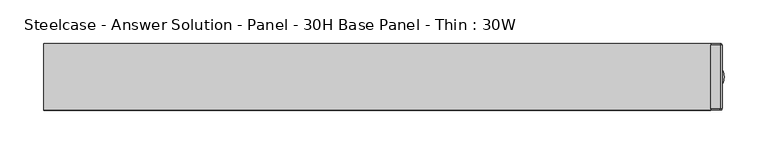
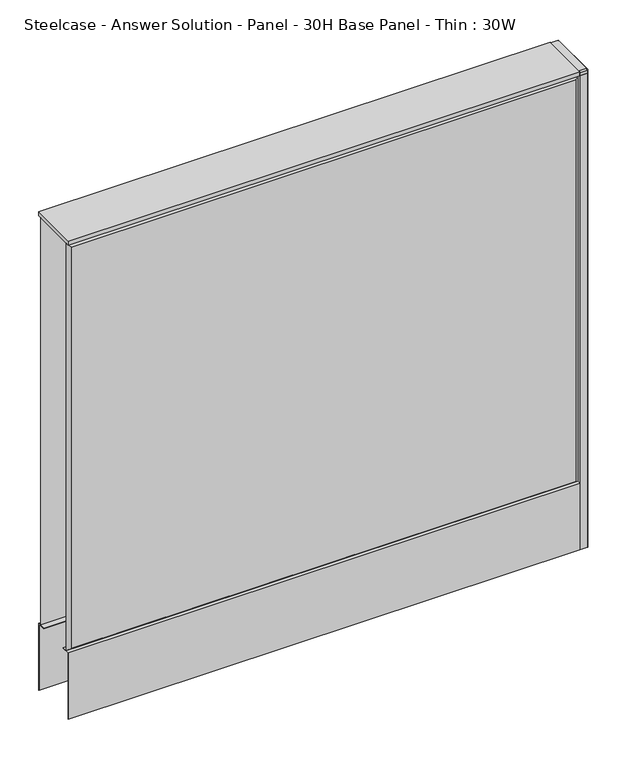
"""IFC4 building model written with IfcOpenShell, lengths in millimetres: furniture geometry, Steelcase - Answer Solution - Panel - 30H Base Panel - Thin : 30W."""

import ifcopenshell
import ifcopenshell.guid

model = None  # the IFC model being written
_history = None  # IfcOwnerHistory: only IFC2X3 demands one
_inside = {}  # id of a spatial element -> (the spatial element, [elements in it])
_under = {}  # id of a project, library or spatial element -> (it, [spatial elements below it])
_declared = {}  # id of a project -> (the project, [libraries it declares])
_typed = {}  # id of a type object -> (the type object, [elements of that type])
_made_of = {}  # id of a material, layer set ... -> (it, [elements and type objects made of it])


def new_model(schema):
    """Start an empty IFC model of exactly this schema.

    Asked for "IFC4X3", IfcOpenShell would pick the latest addendum, in which some entities
    have other attributes; the version numbers below select the first issue.
    IFC2X3 requires an IfcOwnerHistory on every rooted entity: one is made here for all.
    """
    global model, _history
    if schema == "IFC4X3":
        model = ifcopenshell.file(schema_version=(4, 3, 0, 0))
    else:
        model = ifcopenshell.file(schema=schema)
    _inside.clear()
    _under.clear()
    _declared.clear()
    _typed.clear()
    _made_of.clear()
    _history = None
    if model.schema == "IFC2X3":
        org = make("IfcOrganization", Name="unknown")
        user = make(
            "IfcPersonAndOrganization",
            ThePerson=make("IfcPerson", FamilyName="unknown"),
            TheOrganization=org,
        )
        app = make(
            "IfcApplication",
            ApplicationDeveloper=org,
            Version="unknown",
            ApplicationFullName="unknown",
            ApplicationIdentifier="unknown",
        )
        _history = make(
            "IfcOwnerHistory",
            OwningUser=user,
            OwningApplication=app,
            ChangeAction="ADDED",
            CreationDate=0,
        )
    return model


def make(cls, **values):
    """One entity of the class cls with the attributes given. An attribute that is None is left unset."""
    return model.create_entity(
        cls, **{name: value for name, value in values.items() if value is not None}
    )


def rooted(cls, **values):
    """An entity with a GlobalId (a new one), such as an element, a storey or a relation."""
    return make(cls, GlobalId=ifcopenshell.guid.new(), OwnerHistory=_history, **values)


def si_unit(unit_type, name, prefix=None):
    """IfcSIUnit, for example si_unit("LENGTHUNIT", "METRE", prefix="MILLI")."""
    return make("IfcSIUnit", UnitType=unit_type, Prefix=prefix, Name=name)


def assignment(units):
    """IfcUnitAssignment: the units of a project."""
    return None if units is None else make("IfcUnitAssignment", Units=units)


def point(xyz):
    """IfcCartesianPoint."""
    return None if xyz is None else make("IfcCartesianPoint", Coordinates=xyz)


def direction(xyz):
    """IfcDirection."""
    return None if xyz is None else make("IfcDirection", DirectionRatios=xyz)


def frame(location, z_axis=None, x_axis=None):
    """IfcAxis2Placement3D, a coordinate frame: its origin and axes. An axis left out is left unset."""
    return make(
        "IfcAxis2Placement3D",
        Location=point(location),
        Axis=direction(z_axis),
        RefDirection=direction(x_axis),
    )


def frame_2d(location, x_axis=None):
    """IfcAxis2Placement2D, a coordinate frame in the plane: its origin and x axis."""
    return make(
        "IfcAxis2Placement2D", Location=point(location), RefDirection=direction(x_axis)
    )


def origin():
    """The frame at (0, 0, 0) with its axes left unset."""
    return frame((0.0, 0.0, 0.0))


def place(relative_to, where):
    """IfcLocalPlacement: puts the frame where relative to a parent placement (None: the world)."""
    return make(
        "IfcLocalPlacement", PlacementRelTo=relative_to, RelativePlacement=where
    )


def context(
    kind, dimensions, precision=None, world=None, true_north=None, identifier=None
):
    """IfcGeometricRepresentationContext, for example the 3D "Model" context."""
    return make(
        "IfcGeometricRepresentationContext",
        ContextIdentifier=identifier,
        ContextType=kind,
        CoordinateSpaceDimension=dimensions,
        Precision=precision,
        WorldCoordinateSystem=world,
        TrueNorth=true_north,
    )


def project(units=None, contexts=None):
    """IfcProject with its units and contexts."""
    return rooted(
        "IfcProject",
        Name="project",
        RepresentationContexts=contexts,
        UnitsInContext=assignment(units),
    )


def spatial(cls, under=None, at=None, **own):
    """A site, building, storey or space (cls), placed at a placement, below another one or the project."""
    s = rooted(cls, ObjectPlacement=at, **own)
    if under is not None:
        _under.setdefault(under.id(), (under, []))[1].append(s)
    return s


def polyline(points):
    """IfcPolyline through the points."""
    return make("IfcPolyline", Points=[point(p) for p in points])


def circle_curve(where, radius):
    """IfcCircle in the frame where."""
    return make("IfcCircle", Position=where, Radius=radius)


def trimmed(basis, trim1, trim2, sense, master):
    """IfcTrimmedCurve: the piece of a basis curve between two trims."""
    return make(
        "IfcTrimmedCurve",
        BasisCurve=basis,
        Trim1=trim1,
        Trim2=trim2,
        SenseAgreement=sense,
        MasterRepresentation=master,
    )


def segment(curve, same_sense, transition):
    """IfcCompositeCurveSegment."""
    return make(
        "IfcCompositeCurveSegment",
        Transition=transition,
        SameSense=same_sense,
        ParentCurve=curve,
    )


def composite_curve(segments, self_intersect=None):
    """IfcCompositeCurve: segments joined end to end."""
    return make("IfcCompositeCurve", Segments=segments, SelfIntersect=self_intersect)


def outline(outer, holes=None, kind="AREA"):
    """IfcArbitraryClosedProfileDef: a profile drawn as a closed curve; with holes, ...WithVoids."""
    if holes is None:
        return make("IfcArbitraryClosedProfileDef", ProfileType=kind, OuterCurve=outer)
    return make(
        "IfcArbitraryProfileDefWithVoids",
        ProfileType=kind,
        OuterCurve=outer,
        InnerCurves=holes,
    )


def extrude(swept, where, along, depth):
    """IfcExtrudedAreaSolid: the profile swept, set in the frame where, extruded along a direction by depth."""
    return make(
        "IfcExtrudedAreaSolid",
        SweptArea=swept,
        Position=where,
        ExtrudedDirection=direction(along),
        Depth=depth,
    )


def faces_of(points, faces, orient=None, outer=None):
    """IfcFace entities. A face is a list of loops; a loop is a list of indices into points, from 0.

    orient and outer hold one flag for each loop. By default every Orientation is true, the
    first loop of a face is its IfcFaceOuterBound and the others are IfcFaceBound.
    """
    made = []
    for i, loops in enumerate(faces):
        bounds = []
        for j, loop in enumerate(loops):
            is_outer = j == 0 if outer is None else outer[i][j]
            bounds.append(
                make(
                    "IfcFaceOuterBound" if is_outer else "IfcFaceBound",
                    Bound=make("IfcPolyLoop", Polygon=[points[k] for k in loop]),
                    Orientation=True if orient is None else orient[i][j],
                )
            )
        made.append(make("IfcFace", Bounds=bounds))
    return made


def faceted_brep(points, faces, orient=None, outer=None, voids=None):
    """IfcFacetedBrep: a solid bounded by flat faces; with voids (closed shells), ...WithVoids."""
    shared = [point(p) for p in points]
    hull = make("IfcClosedShell", CfsFaces=faces_of(shared, faces, orient, outer))
    if voids is None:
        return make("IfcFacetedBrep", Outer=hull)
    return make(
        "IfcFacetedBrepWithVoids",
        Outer=hull,
        Voids=[
            make(cls, CfsFaces=faces_of(shared, fs, o, b)) for cls, fs, o, b in voids
        ],
    )


def shape(context_of_items, identifier, shape_type, items):
    """IfcShapeRepresentation: the items that make up one representation, for example the "Body"."""
    return make(
        "IfcShapeRepresentation",
        ContextOfItems=context_of_items,
        RepresentationIdentifier=identifier,
        RepresentationType=shape_type,
        Items=items,
    )


def source(mapping_origin, context_of_items, identifier, shape_type, items):
    """IfcRepresentationMap: a shape defined once, which mapped items show again and again."""
    return make(
        "IfcRepresentationMap",
        MappingOrigin=mapping_origin,
        MappedRepresentation=shape(context_of_items, identifier, shape_type, items),
    )


def transform(
    local_origin,
    x_axis=None,
    y_axis=None,
    z_axis=None,
    scale=None,
    scale2=None,
    scale3=None,
    uniform=True,
):
    """IfcCartesianTransformationOperator3D, or its non-uniform kind. x_axis, y_axis, z_axis: its Axis1, 2, 3."""
    if uniform:
        return make(
            "IfcCartesianTransformationOperator3D",
            Axis1=direction(x_axis),
            Axis2=direction(y_axis),
            LocalOrigin=point(local_origin),
            Scale=scale,
            Axis3=direction(z_axis),
        )
    return make(
        "IfcCartesianTransformationOperator3DnonUniform",
        Axis1=direction(x_axis),
        Axis2=direction(y_axis),
        LocalOrigin=point(local_origin),
        Scale=scale,
        Axis3=direction(z_axis),
        Scale2=scale2,
        Scale3=scale3,
    )


def mapped(mapping_source, mapping_target):
    """IfcMappedItem: shows the shape of a source again, moved by a transform."""
    return make(
        "IfcMappedItem", MappingSource=mapping_source, MappingTarget=mapping_target
    )


def made_of(thing, what):
    """Note that an element or type object is made of a material, layer set ...; save() writes the relation."""
    if what is not None:
        _made_of.setdefault(what.id(), (what, []))[1].append(thing)
    return thing


def element(
    cls,
    number,
    at=None,
    inside=None,
    cuts=None,
    type_object=None,
    material=None,
    context=None,
    identifier="Body",
    shape_type=None,
    held_by="IfcProductDefinitionShape",
    body=None,
    shapes=None,
    **own,
):
    """One element of the class cls, such as IfcWall. Its Tag is "e" and its number.

    at: its placement. inside: the storey or other place that contains it. cuts: it is an
    opening in that element (IfcRelVoidsElement). A single representation is given by context,
    identifier, shape_type and body (its items); several are given by shapes. held_by: the class
    of the entity that holds the representations. save() writes the other relations.
    """
    e = rooted(cls, Tag="e%d" % number, ObjectPlacement=at, **own)
    if body is not None:
        shapes = [shape(context, identifier, shape_type, body)]
    if shapes is not None:
        e.Representation = make(held_by, Representations=shapes)
    if inside is not None:
        _inside.setdefault(inside.id(), (inside, []))[1].append(e)
    if cuts is not None:
        rooted(
            "IfcRelVoidsElement", RelatingBuildingElement=cuts, RelatedOpeningElement=e
        )
    if type_object is not None:
        _typed.setdefault(type_object.id(), (type_object, []))[1].append(e)
    return made_of(e, material)


def aggregate(whole, parts):
    """IfcRelAggregates: a whole, such as a stair, and the parts it consists of."""
    return rooted("IfcRelAggregates", RelatingObject=whole, RelatedObjects=parts)


def save(model, path):
    """Write the relations noted so far, then the file.

    IfcRelAggregates (storeys below a building ...), IfcRelContainedInSpatialStructure (elements
    in a storey), IfcRelDefinesByType, IfcRelAssociatesMaterial and IfcRelDeclares: one each for
    every whole, place, type object, material and project.
    """
    for whole, parts in _under.values():
        aggregate(whole, parts)
    for where, things in _inside.values():
        rooted(
            "IfcRelContainedInSpatialStructure",
            RelatedElements=things,
            RelatingStructure=where,
        )
    for kind, things in _typed.values():
        rooted("IfcRelDefinesByType", RelatedObjects=things, RelatingType=kind)
    for what, things in _made_of.values():
        rooted("IfcRelAssociatesMaterial", RelatedObjects=things, RelatingMaterial=what)
    for by, libraries in _declared.values():
        rooted("IfcRelDeclares", RelatingContext=by, RelatedDefinitions=libraries)
    model.write(path)


def plane_surface(at):
    """IfcPlane: the flat surface through the origin of the frame at, square to its z axis."""
    return make("IfcPlane", Position=at)


def cylinder_surface(at, radius):
    """IfcCylindricalSurface: all points at the distance radius from the z axis of the frame at."""
    return make("IfcCylindricalSurface", Position=at, Radius=radius)


def revolved_surface(curve, axis_point, axis_direction):
    """IfcSurfaceOfRevolution: the curve turned about the line through axis_point along axis_direction."""
    return make(
        "IfcSurfaceOfRevolution",
        SweptCurve=make("IfcArbitraryOpenProfileDef", ProfileType="CURVE", Curve=curve),
        AxisPosition=make("IfcAxis1Placement", Location=point(axis_point), Axis=direction(axis_direction)),
    )


def advanced_brep(points, edges, surfaces, faces):
    """IfcAdvancedBrep: a solid bounded by faces that lie on surfaces and meet in shared edges.

    An edge is (start, end): straight between two places in points (the first is 0);
    or (start, end, curve); or (start, end, curve, False) where it runs against its curve.
    A face is (place in surfaces, loops), or (place, loops, False) where it looks against
    its surface's normal. A loop lists edges by number (the first is 1), with a minus sign
    where the edge is run from its end to its start. The first loop is the outer one.
    """
    corners = [point(p) for p in points]
    vertices = [make("IfcVertexPoint", VertexGeometry=c) for c in corners]
    made = []
    for start, end, *more in edges:
        made.append(
            make(
                "IfcEdgeCurve",
                EdgeStart=vertices[start],
                EdgeEnd=vertices[end],
                EdgeGeometry=more[0] if more else make("IfcPolyline", Points=[corners[start], corners[end]]),
                SameSense=more[1] if len(more) > 1 else True,
            )
        )
    hull = []
    for where, loops, *sense in faces:
        bounds = []
        for j, loop in enumerate(loops):
            ring = [make("IfcOrientedEdge", EdgeElement=made[abs(k) - 1], Orientation=k > 0) for k in loop]
            bounds.append(
                make(
                    "IfcFaceOuterBound" if j == 0 else "IfcFaceBound",
                    Bound=make("IfcEdgeLoop", EdgeList=ring),
                    Orientation=True,
                )
            )
        hull.append(make("IfcAdvancedFace", Bounds=bounds, FaceSurface=surfaces[where], SameSense=sense[0] if sense else True))
    return make("IfcAdvancedBrep", Outer=make("IfcClosedShell", CfsFaces=hull))


def steelcase_answer_solution_panel_30h_base_panel_thin_30w_0d88778d(model_context):
    return source(origin(), model_context, "Body", "SolidModel", [
        extrude(outline(polyline([(37.3075215, 119.8575157), (25.4000011, 119.8575157), (25.4000011, 120.65), (38.1000194, 120.65), (38.1000194, 15.494), (37.3075215, 15.494), (37.3075215, 119.8575157)])), frame((-381.0, 0.0, 0.0), z_axis=(1.0, 0.0, 0.0), x_axis=(0.0, 1.0, 0.0)), (0.0, 0.0, 1.0), 762.0),
        extrude(outline(polyline([(-37.3075215, 119.8575157), (-37.3075215, 15.494), (-38.1000194, 15.494), (-38.1000194, 120.65), (-25.4000011, 120.65), (-25.4000011, 119.8575157), (-37.3075215, 119.8575157)])), frame((-381.0, 0.0, 0.0), z_axis=(1.0, 0.0, 0.0), x_axis=(0.0, 1.0, 0.0)), (0.0, 0.0, 1.0), 762.0),
        extrude(outline(composite_curve([segment(trimmed(circle_curve(frame_2d((381.0, -1.94e-05)), 5.08), [point((386.08, -1.94e-05))], [point((375.92, -1.94e-05))], False, "CARTESIAN"), True, "CONTINUOUS"), segment(trimmed(circle_curve(frame_2d((381.0, -1.94e-05)), 5.08), [point((375.92, -1.94e-05))], [point((386.08, -1.94e-05))], False, "CARTESIAN"), True, "CONTINUOUS")], self_intersect=False)), frame((0.0, 0.0, 5.0799671), z_axis=(0.0, 0.0, 1.0), x_axis=(1.0, 0.0, 0.0)), (0.0, 0.0, 1.0), 10.414),
        extrude(outline(composite_curve([segment(trimmed(circle_curve(frame_2d((381.0, -1.94e-05)), 15.24), [point((396.24, -1.94e-05))], [point((365.76, -1.94e-05))], False, "CARTESIAN"), True, "CONTINUOUS"), segment(trimmed(circle_curve(frame_2d((381.0, -1.94e-05)), 15.24), [point((365.76, -1.94e-05))], [point((396.24, -1.94e-05))], False, "CARTESIAN"), True, "CONTINUOUS")], self_intersect=False)), frame((0.0, 0.0, -3.29e-05), z_axis=(0.0, 0.0, 1.0), x_axis=(1.0, 0.0, 0.0)), (0.0, 0.0, 1.0), 5.08),
        advanced_brep(
        [(391.922, -36.322, 768.3499671), (391.922, 36.322, 768.3499671), (381.0, 36.322, 768.3499671), (381.0, -36.322, 768.3499671), (393.7, -36.322, 766.5719671), (391.922, -38.1, 766.5719671), (393.7, 36.322, 766.5719671), (391.922, 38.1, 766.5719671), (381.0, 38.1, 766.5719671), (381.0, 38.1, 761.9999671), (381.0, -38.1, 761.9999671), (381.0, -38.1, 766.5719671), (393.7, 36.322, 761.9999671), (391.922, 38.1, 761.9999671), (391.922, -38.1, 761.9999671), (393.7, -36.322, 761.9999671)],
        [
            (0, 1),
            (1, 2),
            (2, 3),
            (3, 0),
            (4, 0),
            (0, 5),
            (5, 4, circle_curve(frame((391.922, -36.322, 766.5719671), z_axis=(0.0, 1.8009403492312287e-12, 1.0), x_axis=(0.0, -1.0, 1.8008960501119156e-12)), 1.778)),
            (4, 6),
            (6, 1),
            (6, 7, circle_curve(frame((391.922, 36.322, 766.5719671), z_axis=(0.0, -5.414716294386099e-12, 1.0), x_axis=(1.0, 0.0, 0.0)), 1.778)),
            (7, 1),
            (7, 8),
            (8, 2),
            (8, 9),
            (9, 10),
            (10, 11),
            (11, 3),
            (11, 5),
            (12, 13, circle_curve(frame((391.922, 36.322, 761.9999671), z_axis=(0.0, 0.0, 1.0), x_axis=(-1.0, 0.0, 0.0)), 1.778)),
            (13, 7),
            (6, 12),
            (13, 9),
            (10, 14),
            (14, 5),
            (14, 15, circle_curve(frame((391.922, -36.322, 761.9999671), z_axis=(0.0, 0.0, 1.0), x_axis=(-1.0, 0.0, 0.0)), 1.778)),
            (15, 4),
            (15, 12),
        ],
        [
            plane_surface(frame((386.461, 0.0, 768.3499671), z_axis=(0.0, 0.0, 1.0), x_axis=(0.0, 1.0, 0.0))),
            revolved_surface(polyline([(391.922, -36.322, 768.3499671), (393.7000000000032, -36.322, 766.5719670999969)]), (391.922, -36.322, 768.3499671), (0.0, -1.8009403492312287e-12, -1.0)),
            plane_surface(frame((393.7, 0.0, 766.5719671), z_axis=(0.7071067811865476, 0.0, 0.7071067811865476), x_axis=(0.0, 1.0, 0.0))),
            revolved_surface(polyline([(391.922, 36.322, 768.3499671), (393.7000000000096, 36.322, 766.5719670999904)]), (391.922, 36.322, 768.3499671), (0.0, 5.414716294386099e-12, -1.0)),
            plane_surface(frame((386.461, 38.1, 766.5719671), z_axis=(0.0, 0.7071067811846348, 0.7071067811884603), x_axis=(-1.0, 0.0, 0.0))),
            plane_surface(frame((381.0, 0.0, 766.5719671), z_axis=(-1.0, 0.0, 0.0), x_axis=(0.0, -1.0, 0.0))),
            plane_surface(frame((386.461, -38.1, 766.5719671), z_axis=(0.0, -0.7071067811859125, 0.7071067811871826), x_axis=(1.0, 0.0, 0.0))),
            cylinder_surface(frame((391.922, 36.322, 761.9999671), z_axis=(0.0, 0.0, 1.0), x_axis=(-1.0, 0.0, 0.0)), 1.778),
            plane_surface(frame((391.922, 38.1, 766.5719671), z_axis=(0.0, 1.0, 0.0), x_axis=(0.0, 0.0, -1.0))),
            plane_surface(frame((381.0, -38.1, 766.5719671), z_axis=(0.0, -1.0, 0.0), x_axis=(0.0, 0.0, -1.0))),
            cylinder_surface(frame((391.922, -36.322, 761.9999671), z_axis=(0.0, 0.0, 1.0), x_axis=(-1.0, 0.0, 0.0)), 1.778),
            plane_surface(frame((393.7, -36.322, 766.5719671), z_axis=(1.0, 0.0, 0.0), x_axis=(0.0, 0.0, -1.0))),
            plane_surface(frame((390.144, 36.322, 761.9999671), z_axis=(0.0, 0.0, -1.0), x_axis=(0.0, 1.0, 0.0))),
        ],
        [
            (0, [[1, 2, 3, 4]]),
            (1, [[5, 6, 7]]),
            (2, [[-1, -5, 8, 9]]),
            (3, [[-9, 10, 11]]),
            (4, [[-2, -11, 12, 13]]),
            (5, [[-3, -13, 14, 15, 16, 17]]),
            (6, [[-4, -17, 18, -6]]),
            (7, [[19, 20, -10, 21]]),
            (8, [[22, -14, -12, -20]]),
            (9, [[23, 24, -18, -16]]),
            (10, [[25, 26, -7, -24]]),
            (11, [[27, -21, -8, -26]]),
            (12, [[-27, -25, -23, -15, -22, -19]]),
        ],
    ),
        extrude(outline(composite_curve([segment(polyline([(393.7, 36.322), (393.7, -36.322)]), True, "CONTINUOUS"), segment(trimmed(circle_curve(frame_2d((391.922, -36.322)), 1.778), [point((393.7, -36.322))], [point((391.922, -38.1))], False, "CARTESIAN"), True, "CONTINUOUS"), segment(polyline([(391.922, -38.1), (381.0, -38.1), (381.0, 38.1), (391.922, 38.1)]), True, "CONTINUOUS"), segment(trimmed(circle_curve(frame_2d((391.922, 36.322)), 1.778), [point((391.922, 38.1))], [point((393.7, 36.322))], False, "CARTESIAN"), True, "CONTINUOUS")], self_intersect=False)), frame((0.0, 0.0, 15.4939671), z_axis=(0.0, 0.0, 1.0), x_axis=(1.0, 0.0, 0.0)), (0.0, 0.0, 1.0), 746.506),
        faceted_brep([(376.174, 38.100001, 757.174), (376.174, 38.100001, 125.476), (-376.174, 38.100001, 125.476), (-376.174, 38.100001, 757.174), (381.0, 33.274001, 762.0), (-381.0, 33.274001, 762.0), (-381.0, 33.274001, 120.65), (381.0, 33.274001, 120.65)], [[[0, 1, 2, 3]], [[4, 5, 6, 7]], [[4, 0, 3, 5]], [[5, 3, 2, 6]], [[6, 2, 1, 7]], [[7, 1, 0, 4]]]),
        faceted_brep([(376.174, -38.100001, 757.174), (-376.174, -38.100001, 757.174), (-376.174, -38.100001, 125.476), (376.174, -38.100001, 125.476), (381.0, -33.274001, 762.0), (381.0, -33.274001, 120.65), (-381.0, -33.274001, 120.65), (-381.0, -33.274001, 762.0)], [[[0, 1, 2, 3]], [[4, 5, 6, 7]], [[4, 7, 1, 0]], [[7, 6, 2, 1]], [[6, 5, 3, 2]], [[5, 4, 0, 3]]]),
        extrude(outline(polyline([(381.0, 38.1000194), (381.0, -38.1000194), (-381.0, -38.1000194), (-381.0, 38.1000194), (381.0, 38.1000194)])), frame((0.0, 0.0, 762.0), z_axis=(0.0, 0.0, 1.0), x_axis=(1.0, 0.0, 0.0)), (0.0, 0.0, 1.0), 6.35),
    ])


if __name__ == "__main__":
    model = new_model("IFC4")
    model_context = context("Model", 3, world=origin())
    ifc_project = project(units=[si_unit("LENGTHUNIT", "METRE", prefix="MILLI")], contexts=[model_context])
    site = spatial("IfcSite", under=ifc_project)
    building = spatial("IfcBuilding", under=site)
    placement = place(None, origin())
    steelcase_answer_solution_panel_30h_base_panel_thin_30w_shape = steelcase_answer_solution_panel_30h_base_panel_thin_30w_0d88778d(model_context)
    element("IfcFurniture", 1, ObjectType="Steelcase - Answer Solution - Panel - 30H Base Panel - Thin : 30W", at=placement, inside=building, context=model_context, shape_type="MappedRepresentation", body=[
        mapped(steelcase_answer_solution_panel_30h_base_panel_thin_30w_shape, transform((0.0, 0.0, 0.0), x_axis=(1.0, 0.0, 0.0), y_axis=(0.0, 1.0, 0.0), z_axis=(0.0, 0.0, 1.0))),
    ])
    save(model, "model.ifc")
